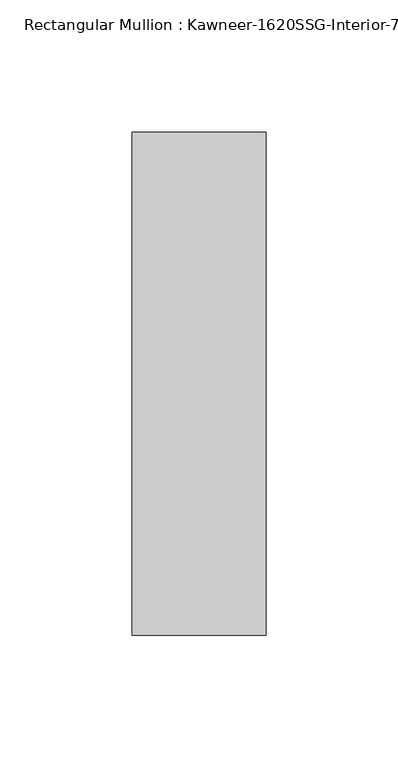
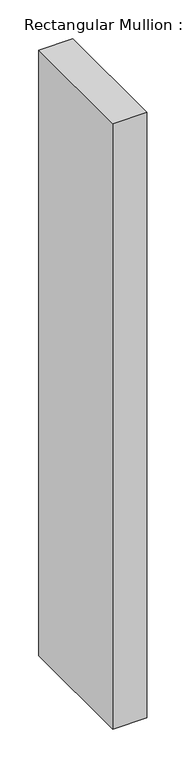
"""IFC4 building model written with IfcOpenShell, lengths in millimetres: member geometry."""

from ifc_helpers import new_model, si_unit, frame, origin, place, context, project, spatial, polyline, outline, extrude, source, transform, mapped, element, save


def member_f39a02cb(model_context):
    return source(origin(), model_context, "Body", "SweptSolid", [
        extrude(outline(polyline([(25.4, 152.4), (25.4, -38.1), (-25.4, -38.1), (-25.4, 152.4), (25.4, 152.4)])), frame((0.0, 0.0, -952.5), z_axis=(0.0, 0.0, 1.0), x_axis=(1.0, 0.0, 0.0)), (0.0, 0.0, 1.0), 952.5),
    ])


if __name__ == "__main__":
    model = new_model("IFC4")
    model_context = context("Model", 3, world=origin())
    ifc_project = project(units=[si_unit("LENGTHUNIT", "METRE", prefix="MILLI")], contexts=[model_context])
    site = spatial("IfcSite", under=ifc_project)
    building = spatial("IfcBuilding", under=site)
    placement = place(None, origin())
    member_shape = member_f39a02cb(model_context)
    element("IfcMember", 1, ObjectType="Rectangular Mullion : Kawneer-1620SSG-Interior-7.5\"-1\"Infill", at=placement, inside=building, context=model_context, shape_type="MappedRepresentation", body=[
        mapped(member_shape, transform((0.0, 0.0, 0.0), x_axis=(1.0, 0.0, 0.0), y_axis=(0.0, 1.0, 0.0), z_axis=(0.0, 0.0, 1.0))),
    ])
    save(model, "model.ifc")
